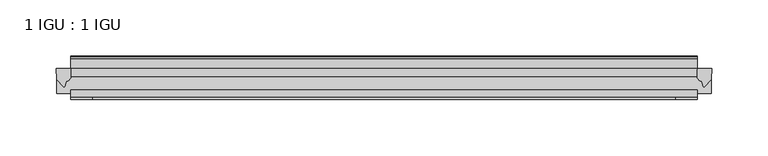
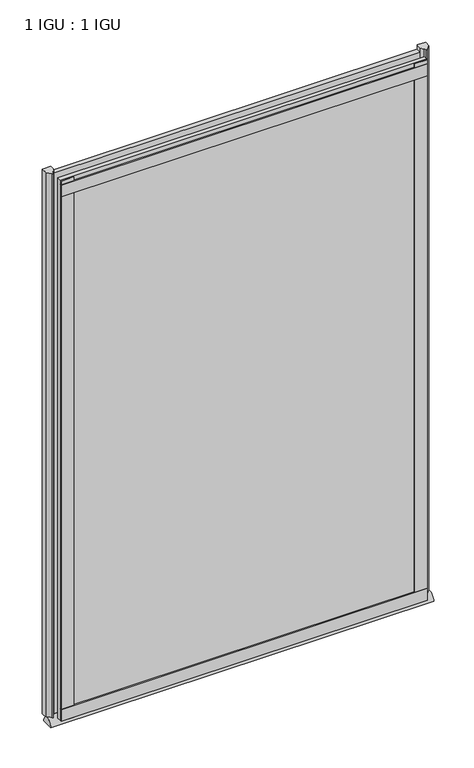
"""IFC4 building model written with IfcOpenShell, lengths in millimetres: plate geometry, 1 IGU : 1 IGU."""

from ifc_helpers import new_model, si_unit, point, frame, frame_2d, origin, place, context, project, spatial, polyline, circle_curve, ellipse_curve, trimmed, segment, composite_curve, outline, extrude, source, transform, mapped, element, save
from ifc_brep_helpers import plane_surface, extruded_surface, advanced_brep


def plate_1_igu_1_igu_a83b63a6(model_context):
    return source(origin(), model_context, "Body", "SolidModel", [
        extrude(outline(polyline([(278.9019599, -11.6085937), (278.9019599, -18.8576359), (-278.9019599, -18.8576359), (-278.9019599, -11.6085937), (278.9019599, -11.6085937)])), frame((0.0, 0.0, -19.05), z_axis=(0.0, 0.0, 1.0), x_axis=(1.0, 0.0, 0.0)), (0.0, 0.0, 1.0), 869.9409101),
        extrude(outline(polyline([(-278.9019599, -30.7093937), (278.9019599, -30.7093937), (278.9019599, -37.0085937), (-278.9019599, -37.0085937), (-278.9019599, -30.7093937)])), frame((0.0, 0.0, -19.05), z_axis=(0.0, 0.0, 1.0), x_axis=(1.0, 0.0, 0.0)), (0.0, 0.0, 1.0), 869.9409101),
        advanced_brep(
        [(291.6019599, -33.6472189, -28.575), (291.6019599, -14.9699686, -28.575), (-291.6019599, -33.6472189, -28.575), (-291.6019599, -14.9699686, -28.575)],
        [
            (0, 1),
            (1, 0, ellipse_curve(frame((291.6019599, -24.3085937, -28.575), z_axis=(1.0, 0.0, 0.0), x_axis=(0.0, 0.0, 1.0)), 10.6973372, 9.3386252)),
            (2, 3, ellipse_curve(frame((-291.6019599, -24.3085937, -28.575), z_axis=(-1.0, 0.0, 0.0), x_axis=(0.0, 0.0, 1.0)), 10.6973372, 9.3386252)),
            (3, 2),
            (0, 2),
            (3, 1),
        ],
        [
            plane_surface(frame((291.6019599, -9.2273438, -28.575), z_axis=(1.0, 0.0, 0.0), x_axis=(0.0, 1.0, 0.0))),
            plane_surface(frame((-291.6019599, -9.2273437, -28.575), z_axis=(-1.0, 0.0, 0.0), x_axis=(0.0, 1.0, 0.0))),
            plane_surface(frame((291.6019599, -33.6472189, -28.575), z_axis=(0.0, 0.0, -1.0), x_axis=(-1.0, 0.0, 0.0))),
            extruded_surface(trimmed(ellipse_curve(frame((-291.6019599, -24.3085937, -28.575), z_axis=(1.0, 0.0, 0.0), x_axis=(0.0, 0.0, 1.0)), 10.6973372, 9.3386252), [point((-291.6019599, -14.9699686, -28.575))], [point((-291.6019599, -33.6472189, -28.575))], True, "CARTESIAN"), (583.2039198, 0.0, 0.0), 583.2039198),
        ],
        [
            (0, [[1, 2]]),
            (1, [[3, 4]]),
            (2, [[-1, 5, -4, 6]]),
            (3, [[-2, -6, -3, -5]]),
        ],
    ),
        extrude(outline(composite_curve([segment(polyline([(291.979869, -11.6101465), (291.6019599, -21.3502133), (285.6639066, -27.6095865)]), True, "CONTINUOUS"), segment(trimmed(circle_curve(frame_2d((284.9911005, -27.2518492)), 0.762), [point((285.6639066, -27.6095865))], [point((284.2623963, -27.4746364))], False, "CARTESIAN"), True, "CONTINUOUS"), segment(polyline([(284.2623963, -27.4746364), (283.0005617, -23.3488397)]), True, "CONTINUOUS"), segment(trimmed(circle_curve(frame_2d((285.1825189, -16.3834724)), 7.2991286), [point((283.0005617, -23.3488397))], [point((278.9021385, -20.1028944))], False, "CARTESIAN"), True, "CONTINUOUS"), segment(polyline([(278.9021385, -20.1028944), (278.9021385, -12.664425)]), True, "CONTINUOUS"), segment(trimmed(circle_curve(frame_2d((285.183393, -16.3827796)), 7.2993369), [point((278.9021385, -12.664425))], [point((279.6605049, -11.6101465))], False, "CARTESIAN"), True, "CONTINUOUS"), segment(polyline([(279.6605049, -11.6101465), (291.979869, -11.6101465)]), True, "CONTINUOUS")], self_intersect=False)), frame((0.0, 0.0, -19.05), z_axis=(0.0, 0.0, 1.0), x_axis=(1.0, 0.0, 0.0)), (0.0, 0.0, 1.0), 877.0783101),
        extrude(outline(composite_curve([segment(polyline([(-278.9019599, -11.610702), (-278.9019599, -20.1014769)]), True, "CONTINUOUS"), segment(trimmed(circle_curve(frame_2d((-285.1831542, -16.3829847)), 7.2993552), [point((-278.9019599, -20.1014769))], [point((-283.0009096, -23.3484994))], False, "CARTESIAN"), True, "CONTINUOUS"), segment(polyline([(-283.0009096, -23.3484994), (-284.2623963, -27.4746364)]), True, "CONTINUOUS"), segment(trimmed(circle_curve(frame_2d((-284.9911005, -27.2518492)), 0.762), [point((-284.2623963, -27.4746364))], [point((-285.6639066, -27.6095865))], False, "CARTESIAN"), True, "CONTINUOUS"), segment(polyline([(-285.6639066, -27.6095865), (-291.6019599, -21.3502133), (-291.979869, -11.610702), (-278.9019599, -11.610702)]), True, "CONTINUOUS")], self_intersect=False)), frame((0.0, 0.0, -19.05), z_axis=(0.0, 0.0, 1.0), x_axis=(1.0, 0.0, 0.0)), (0.0, 0.0, 1.0), 877.0783101),
        extrude(outline(polyline([(-278.9019599, -39.2945937), (-278.9019599, -37.0085937), (278.9019599, -37.0085937), (278.9019599, -39.2945937), (-278.9019599, -39.2945937)])), frame((0.0, 0.0, -19.05), z_axis=(0.0, 0.0, 1.0), x_axis=(1.0, 0.0, 0.0)), (0.0, 0.0, 1.0), 19.05),
        extrude(outline(composite_curve([segment(polyline([(-3.0995937, 840.8103314), (-3.0995937, 838.7783314), (-5.2585937, 838.7783314), (-5.2585937, 833.4443314), (-1.5755937, 833.4443314), (-1.5755937, 830.3963314), (-5.2585937, 830.3963314), (-5.2585937, 825.5703314), (-0.5298657, 826.2349108), (-0.4061408, 825.3545625)]), True, "CONTINUOUS"), segment(trimmed(circle_curve(frame_2d((-1.4122531, 825.2131626)), 1.016), [point((-0.4061408, 825.3545625))], [point((-1.2708533, 824.2070502))], False, "CARTESIAN"), True, "CONTINUOUS"), segment(polyline([(-1.2708533, 824.2070502), (-11.6085937, 822.7541756), (-11.6085937, 840.8103314), (-3.0995937, 840.8103314)]), True, "CONTINUOUS")], self_intersect=False)), frame((-278.9019599, 0.0, 0.0), z_axis=(1.0, 0.0, 0.0), x_axis=(0.0, 1.0, 0.0)), (0.0, 0.0, 1.0), 557.8039197),
        extrude(outline(polyline([(-278.9019599, -39.2945937), (-278.9019599, -37.0085937), (278.9019599, -37.0085937), (278.9019599, -39.2945937), (-278.9019599, -39.2945937)])), frame((0.0, 0.0, 825.4909101), z_axis=(0.0, 0.0, 1.0), x_axis=(1.0, 0.0, 0.0)), (0.0, 0.0, 1.0), 19.05),
        extrude(outline(polyline([(259.8519599, -37.0085937), (278.9019599, -37.0085937), (278.9019599, -39.2945938), (259.8519599, -39.2945938), (259.8519599, -37.0085937)])), frame((0.0, 0.0, -19.05), z_axis=(0.0, 0.0, 1.0), x_axis=(1.0, 0.0, 0.0)), (0.0, 0.0, 1.0), 869.9409101),
        extrude(outline(polyline([(-278.9019599, -39.2945937), (-278.9019599, -37.0085937), (-259.8519599, -37.0085937), (-259.8519599, -39.2945937), (-278.9019599, -39.2945937)])), frame((0.0, 0.0, -19.05), z_axis=(0.0, 0.0, 1.0), x_axis=(1.0, 0.0, 0.0)), (0.0, 0.0, 1.0), 869.9409101),
    ])


if __name__ == "__main__":
    model = new_model("IFC4")
    model_context = context("Model", 3, world=origin())
    ifc_project = project(units=[si_unit("LENGTHUNIT", "METRE", prefix="MILLI")], contexts=[model_context])
    site = spatial("IfcSite", under=ifc_project)
    building = spatial("IfcBuilding", under=site)
    placement = place(None, origin())
    plate_1_igu_1_igu_shape = plate_1_igu_1_igu_a83b63a6(model_context)
    element("IfcPlate", 1, ObjectType="1 IGU : 1 IGU", at=placement, inside=building, context=model_context, shape_type="MappedRepresentation", body=[
        mapped(plate_1_igu_1_igu_shape, transform((0.0, 0.0, 0.0), x_axis=(1.0, 0.0, 0.0), y_axis=(0.0, 1.0, 0.0), z_axis=(0.0, 0.0, 1.0))),
    ])
    save(model, "model.ifc")
